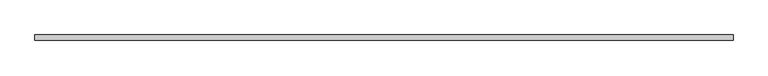
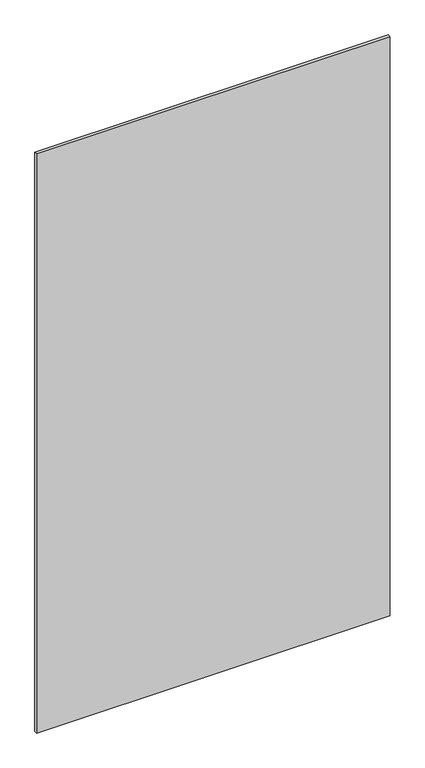
"""IFC4 building model written with IfcOpenShell, lengths in millimetres: plate geometry."""

from ifc_helpers import new_model, si_unit, origin, origin_with_axes, place, context, project, spatial, polyline, outline, extrude, source, transform, mapped, element, save


def plate_5c52515f(model_context):
    return source(origin(), model_context, "Body", "SweptSolid", [
        extrude(outline(polyline([(627.75, 5.0), (627.75, -5.0), (-627.75, -5.0), (-627.75, 5.0), (627.75, 5.0)])), origin_with_axes(), (0.0, 0.0, 1.0), 2173.3),
    ])


if __name__ == "__main__":
    model = new_model("IFC4")
    model_context = context("Model", 3, world=origin())
    ifc_project = project(units=[si_unit("LENGTHUNIT", "METRE", prefix="MILLI")], contexts=[model_context])
    site = spatial("IfcSite", under=ifc_project)
    building = spatial("IfcBuilding", under=site)
    placement = place(None, origin())
    plate_shape = plate_5c52515f(model_context)
    element("IfcPlate", 1, at=placement, inside=building, context=model_context, shape_type="MappedRepresentation", body=[
        mapped(plate_shape, transform((0.0, 0.0, 0.0), x_axis=(1.0, 0.0, 0.0), y_axis=(0.0, 1.0, 0.0), z_axis=(0.0, 0.0, 1.0))),
    ])
    save(model, "model.ifc")
